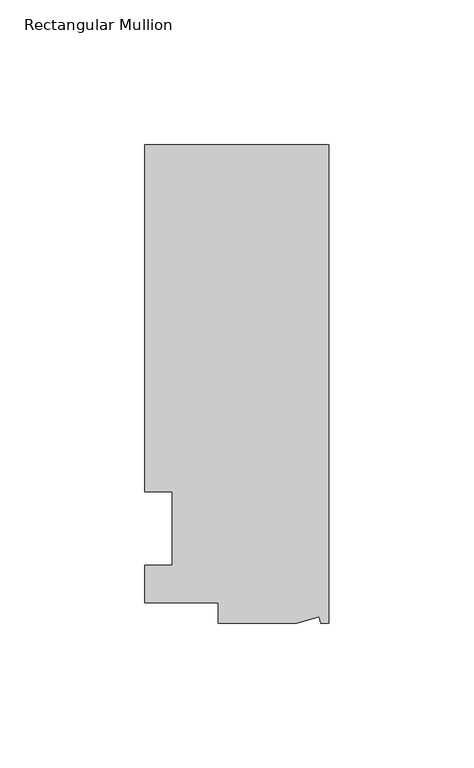
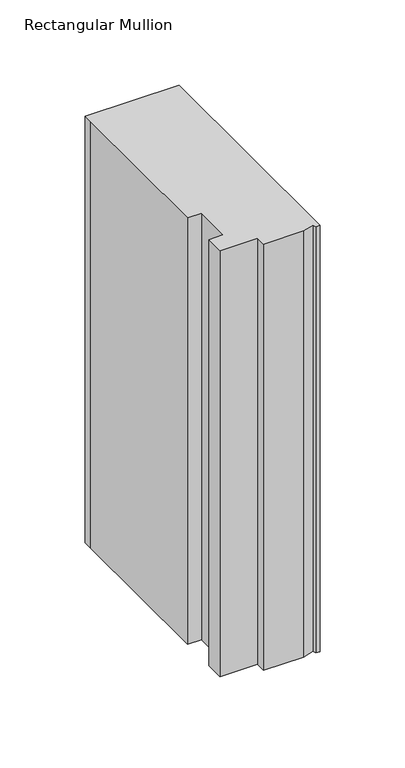
"""IFC4 building model written with IfcOpenShell, lengths in millimetres: member geometry, Rectangular Mullion."""

from ifc_helpers import new_model, si_unit, frame, origin, place, context, project, spatial, polyline, outline, extrude, source, transform, mapped, element, save


def rectangular_mullion_85dfff66(model_context):
    return source(origin(), model_context, "Body", "SweptSolid", [
        extrude(outline(polyline([(0.0, 132.5561012), (0.0, -32.5438988), (-2.7616541, -32.5438988), (-3.3341886, -30.4622958), (-11.121847, -32.5438988), (-38.1, -32.5438988), (-38.1, -25.5842988), (-63.5, -25.5842988), (-63.5, -12.5945801), (-53.975, -12.5945801), (-53.975, 12.8054199), (-63.5, 12.8054199), (-63.5, 126.2061012), (-63.5, 132.5561012), (0.0, 132.5561012)])), frame((0.0, 0.0, -304.8), z_axis=(0.0, 0.0, 1.0), x_axis=(1.0, 0.0, 0.0)), (0.0, 0.0, 1.0), 304.8),
    ])


if __name__ == "__main__":
    model = new_model("IFC4")
    model_context = context("Model", 3, world=origin())
    ifc_project = project(units=[si_unit("LENGTHUNIT", "METRE", prefix="MILLI")], contexts=[model_context])
    site = spatial("IfcSite", under=ifc_project)
    building = spatial("IfcBuilding", under=site)
    placement = place(None, origin())
    rectangular_mullion_shape = rectangular_mullion_85dfff66(model_context)
    element("IfcMember", 1, ObjectType="Rectangular Mullion", at=placement, inside=building, context=model_context, shape_type="MappedRepresentation", body=[
        mapped(rectangular_mullion_shape, transform((0.0, 0.0, 0.0), x_axis=(1.0, 0.0, 0.0), y_axis=(0.0, 1.0, 0.0), z_axis=(0.0, 0.0, 1.0))),
    ])
    save(model, "model.ifc")
